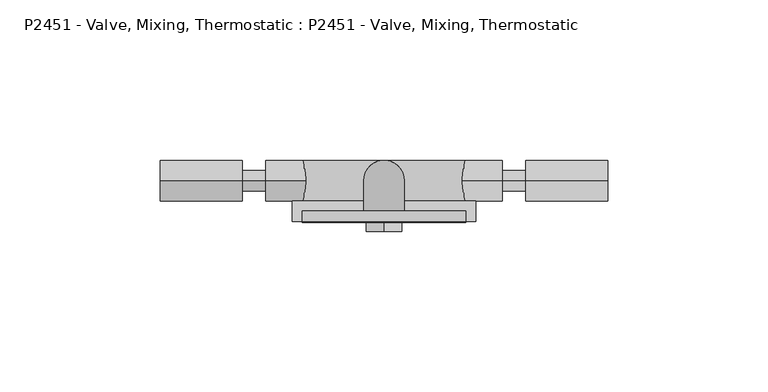
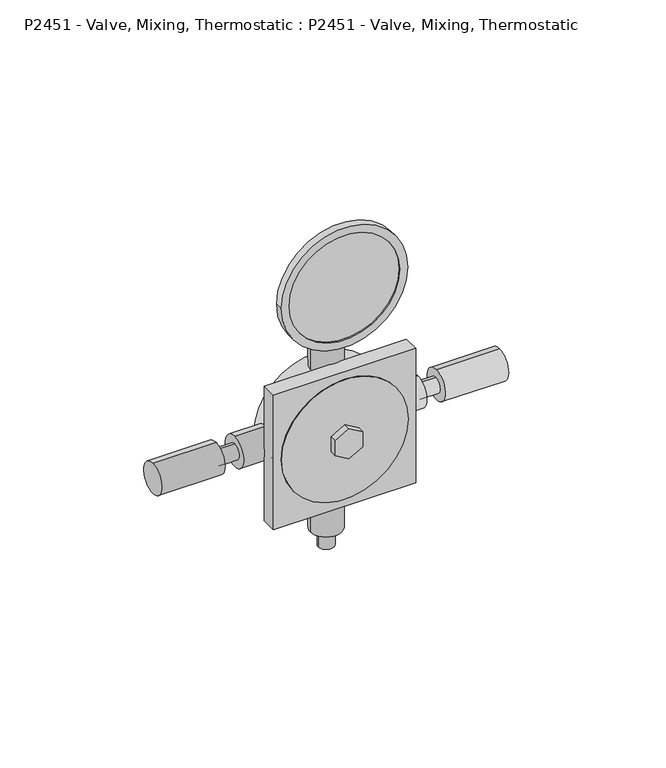
"""IFC4 building model written with IfcOpenShell, lengths in millimetres: proxy geometry, P2451 - Valve, Mixing, Thermostatic : P2451 - Valve, Mixing, Thermostatic."""

from ifc_helpers import new_model, si_unit, point, frame, frame_2d, origin, origin_with_axes, place, context, project, spatial, polyline, circle_curve, ellipse_curve, trimmed, segment, composite_curve, outline, extrude, source, transform, mapped, element, save
from ifc_brep_helpers import plane_surface, cylinder_surface, revolved_surface, advanced_brep


def p2451_valve_mixing_thermostatic_p2451_valve_mixing_67b43995(model_context):
    return source(origin(), model_context, "Body", "SolidModel", [
        advanced_brep(
        [(-25.4, -19.05, 116.6617353), (25.4, -19.05, 116.6617353), (22.225, -19.05, 116.6617353), (-22.225, -19.05, 116.6617353), (-25.4, -15.875, 116.6617353), (25.4, -15.875, 116.6617353), (-22.225, -18.4365805, 116.6617353), (22.225, -18.4365805, 116.6617353)],
        [
            (0, 1, circle_curve(frame((0.0, -19.05, 116.6617353), z_axis=(0.0, -1.0, 0.0), x_axis=(1.0, 0.0, 0.0)), 25.4)),
            (1, 0, circle_curve(frame((0.0, -19.05, 116.6617353), z_axis=(0.0, -1.0, 0.0), x_axis=(1.0, 0.0, 0.0)), 25.4)),
            (2, 3, circle_curve(frame((0.0, -19.05, 116.6617353), z_axis=(0.0, 1.0, 0.0), x_axis=(1.0, 0.0, 0.0)), 22.225)),
            (3, 2, circle_curve(frame((0.0, -19.05, 116.6617353), z_axis=(0.0, 1.0, 0.0), x_axis=(1.0, 0.0, 0.0)), 22.225)),
            (4, 5, circle_curve(frame((0.0, -15.875, 116.6617353), z_axis=(0.0, 1.0, 0.0), x_axis=(1.0, 0.0, 0.0)), 25.4)),
            (5, 4, circle_curve(frame((0.0, -15.875, 116.6617353), z_axis=(0.0, 1.0, 0.0), x_axis=(1.0, 0.0, 0.0)), 25.4)),
            (0, 4),
            (5, 1),
            (6, 7, circle_curve(frame((0.0, -18.4365805, 116.6617353), z_axis=(0.0, -1.0, 0.0), x_axis=(1.0, 0.0, 0.0)), 22.225)),
            (7, 6, circle_curve(frame((0.0, -18.4365805, 116.6617353), z_axis=(0.0, -1.0, 0.0), x_axis=(1.0, 0.0, 0.0)), 22.225)),
            (6, 3),
            (2, 7),
        ],
        [
            plane_surface(frame((25.4, -19.05, 116.6617353), z_axis=(0.0, -1.0, 0.0), x_axis=(0.0, 0.0, 1.0))),
            plane_surface(frame((25.4, -15.875, 116.6617353), z_axis=(0.0, 1.0, 0.0), x_axis=(0.0, 0.0, -1.0))),
            cylinder_surface(frame((0.0, -15.875, 116.6617353), z_axis=(0.0, -1.0, 0.0), x_axis=(1.0, 0.0, 0.0)), 25.4),
            plane_surface(frame((22.225, -18.4365805, 116.6617353), z_axis=(0.0, -1.0, 0.0), x_axis=(0.0, 0.0, -1.0))),
            revolved_surface(polyline([(22.225, -19.05, 116.6617353), (22.225, -18.4365805, 116.6617353)]), (0.0, -18.4365805, 116.6617353), (0.0, -1.0, 0.0)),
        ],
        [
            (0, [[1, 2], [3, 4]]),
            (1, [[5, 6]]),
            (2, [[-1, 7, -6, 8]]),
            (2, [[-2, -8, -5, -7]]),
            (3, [[9, 10]]),
            (4, [[-9, 11, -3, 12]]),
            (4, [[-10, -12, -4, -11]]),
        ],
    ),
        extrude(outline(composite_curve([segment(trimmed(circle_curve(frame_2d((52.3679853, 0.0)), 25.4), [point((52.3679853, -25.4))], [point((52.3679853, 25.4))], False, "CARTESIAN"), True, "CONTINUOUS"), segment(trimmed(circle_curve(frame_2d((52.3679853, 0.0)), 25.4), [point((52.3679853, 25.4))], [point((52.3679853, -25.4))], False, "CARTESIAN"), True, "CONTINUOUS")], self_intersect=False), holes=[polyline([(55.5429853, -5.4992613), (58.7179853, 0.0), (55.5429853, 5.4992613), (49.1929853, 5.4992613), (46.0179853, 0.0), (49.1929853, -5.4992613), (55.5429853, -5.4992613)])]), frame((0.0, -19.3538069, 0.0), z_axis=(0.0, 1.0, 0.0), x_axis=(0.0, 0.0, 1.0)), (0.0, 0.0, 1.0), 0.3038069),
        extrude(outline(composite_curve([segment(trimmed(circle_curve(frame_2d((-6.35, 52.3679853)), 6.35), [point((-6.35, 46.0179853))], [point((-6.35, 58.7179853))], False, "CARTESIAN"), True, "CONTINUOUS"), segment(trimmed(circle_curve(frame_2d((-6.35, 52.3679853)), 6.35), [point((-6.35, 58.7179853))], [point((-6.35, 46.0179853))], False, "CARTESIAN"), True, "CONTINUOUS")], self_intersect=False)), frame((-69.6424307, 0.0, 0.0), z_axis=(1.0, 0.0, 0.0), x_axis=(0.0, 1.0, 0.0)), (0.0, 0.0, 1.0), 25.4),
        extrude(outline(composite_curve([segment(trimmed(circle_curve(frame_2d((-6.35, 52.3679853)), 3.175), [point((-6.35, 49.1929853))], [point((-6.35, 55.5429853))], False, "CARTESIAN"), True, "CONTINUOUS"), segment(trimmed(circle_curve(frame_2d((-6.35, 52.3679853)), 3.175), [point((-6.35, 55.5429853))], [point((-6.35, 49.1929853))], False, "CARTESIAN"), True, "CONTINUOUS")], self_intersect=False)), frame((-44.2424307, 0.0, 0.0), z_axis=(1.0, 0.0, 0.0), x_axis=(0.0, 1.0, 0.0)), (0.0, 0.0, 1.0), 7.4334859),
        extrude(outline(composite_curve([segment(trimmed(circle_curve(frame_2d((-6.35, 52.3679853)), 6.35), [point((-6.35, 46.0179853))], [point((-6.35, 58.7179853))], False, "CARTESIAN"), True, "CONTINUOUS"), segment(trimmed(circle_curve(frame_2d((-6.35, 52.3679853)), 6.35), [point((-6.35, 58.7179853))], [point((-6.35, 46.0179853))], False, "CARTESIAN"), True, "CONTINUOUS")], self_intersect=False)), frame((-36.8089448, 0.0, 0.0), z_axis=(1.0, 0.0, 0.0), x_axis=(0.0, 1.0, 0.0)), (0.0, 0.0, 1.0), 12.7),
        extrude(outline(composite_curve([segment(trimmed(circle_curve(frame_2d((-6.35, 52.3679853)), 6.35), [point((-6.35, 46.0179853))], [point((-6.35, 58.7179853))], False, "CARTESIAN"), True, "CONTINUOUS"), segment(trimmed(circle_curve(frame_2d((-6.35, 52.3679853)), 6.35), [point((-6.35, 58.7179853))], [point((-6.35, 46.0179853))], False, "CARTESIAN"), True, "CONTINUOUS")], self_intersect=False)), frame((44.2424307, 0.0, 0.0), z_axis=(1.0, 0.0, 0.0), x_axis=(0.0, 1.0, 0.0)), (0.0, 0.0, 1.0), 25.4),
        extrude(outline(composite_curve([segment(trimmed(circle_curve(frame_2d((-6.35, 52.3679853)), 3.175), [point((-6.35, 49.1929853))], [point((-6.35, 55.5429853))], False, "CARTESIAN"), True, "CONTINUOUS"), segment(trimmed(circle_curve(frame_2d((-6.35, 52.3679853)), 3.175), [point((-6.35, 55.5429853))], [point((-6.35, 49.1929853))], False, "CARTESIAN"), True, "CONTINUOUS")], self_intersect=False)), frame((36.8089448, 0.0, 0.0), z_axis=(1.0, 0.0, 0.0), x_axis=(0.0, 1.0, 0.0)), (0.0, 0.0, 1.0), 7.4334859),
        extrude(outline(composite_curve([segment(trimmed(circle_curve(frame_2d((0.0, -6.35)), 3.175), [point((-3.175, -6.35))], [point((3.175, -6.35))], False, "CARTESIAN"), True, "CONTINUOUS"), segment(trimmed(circle_curve(frame_2d((0.0, -6.35)), 3.175), [point((3.175, -6.35))], [point((-3.175, -6.35))], False, "CARTESIAN"), True, "CONTINUOUS")], self_intersect=False)), origin_with_axes(), (0.0, 0.0, 1.0), 7.4334859),
        advanced_brep(
        [(-6.35, -6.35, 103.9617353), (6.35, -6.35, 103.9617353), (-6.35, -6.35, 116.6617353), (6.35, -6.35, 116.6617353), (-6.35, -15.875, 116.6617353), (6.35, -15.875, 116.6617353)],
        [
            (0, 1, circle_curve(frame((0.0, -6.35, 103.9617353), z_axis=(0.0, 0.0, -1.0), x_axis=(-1.0, 0.0, 0.0)), 6.35)),
            (1, 0, circle_curve(frame((0.0, -6.35, 103.9617353), z_axis=(0.0, 0.0, -1.0), x_axis=(-1.0, 0.0, 0.0)), 6.35)),
            (0, 2),
            (2, 3, ellipse_curve(frame((0.0, -6.35, 116.6617353), z_axis=(0.0, 0.7071067811865646, -0.7071067811865305), x_axis=(0.0, -0.7071067811865304, -0.7071067811865646)), 8.9802561, 6.35)),
            (3, 1),
            (3, 2, ellipse_curve(frame((0.0, -6.35, 116.6617353), z_axis=(0.0, 0.7071067811865646, -0.7071067811865305), x_axis=(0.0, -0.7071067811865304, -0.7071067811865646)), 8.9802561, 6.35)),
            (4, 5, circle_curve(frame((0.0, -15.875, 116.6617353), z_axis=(0.0, -1.0, 0.0), x_axis=(-1.0, 0.0, 0.0)), 6.35)),
            (5, 4, circle_curve(frame((0.0, -15.875, 116.6617353), z_axis=(0.0, -1.0, 0.0), x_axis=(-1.0, 0.0, 0.0)), 6.35)),
            (2, 4),
            (5, 3),
        ],
        [
            plane_surface(frame((0.0, -6.35, 103.9617353), z_axis=(0.0, 0.0, -1.0), x_axis=(1.0, 0.0, 0.0))),
            cylinder_surface(frame((0.0, -6.35, 103.9617353), z_axis=(0.0, 0.0, -1.0), x_axis=(-1.0, 0.0, 0.0)), 6.35),
            plane_surface(frame((0.0, -15.875, 116.6617353), z_axis=(0.0, -1.0, 0.0), x_axis=(1.0, 0.0, 0.0))),
            cylinder_surface(frame((0.0, -6.35, 116.6617353), z_axis=(0.0, 1.0, 0.0), x_axis=(-1.0, 0.0, 0.0)), 6.35),
        ],
        [
            (0, [[1, 2]]),
            (1, [[-1, 3, 4, 5]]),
            (1, [[-2, -5, 6, -3]]),
            (2, [[7, 8]]),
            (3, [[-4, 9, -8, 10]]),
            (3, [[-6, -10, -7, -9]]),
        ],
    ),
        extrude(outline(composite_curve([segment(trimmed(circle_curve(frame_2d((0.0, -6.35)), 6.35), [point((6.35, -6.35))], [point((-6.35, -6.35))], False, "CARTESIAN"), True, "CONTINUOUS"), segment(trimmed(circle_curve(frame_2d((0.0, -6.35)), 6.35), [point((-6.35, -6.35))], [point((6.35, -6.35))], False, "CARTESIAN"), True, "CONTINUOUS")], self_intersect=False)), frame((0.0, 0.0, 7.4334859), z_axis=(0.0, 0.0, 1.0), x_axis=(1.0, 0.0, 0.0)), (0.0, 0.0, 1.0), 20.3410552),
        extrude(outline(composite_curve([segment(trimmed(circle_curve(frame_2d((0.0, -6.35)), 6.35), [point((6.35, -6.35))], [point((-6.35, -6.35))], False, "CARTESIAN"), True, "CONTINUOUS"), segment(trimmed(circle_curve(frame_2d((0.0, -6.35)), 6.35), [point((-6.35, -6.35))], [point((6.35, -6.35))], False, "CARTESIAN"), True, "CONTINUOUS")], self_intersect=False)), frame((0.0, 0.0, 76.4769302), z_axis=(0.0, 0.0, 1.0), x_axis=(1.0, 0.0, 0.0)), (0.0, 0.0, 1.0), 27.4848052),
        extrude(outline(composite_curve([segment(trimmed(circle_curve(frame_2d((-6.35, 52.3679853)), 6.35), [point((-6.35, 46.0179853))], [point((-6.35, 58.7179853))], False, "CARTESIAN"), True, "CONTINUOUS"), segment(trimmed(circle_curve(frame_2d((-6.35, 52.3679853)), 6.35), [point((-6.35, 58.7179853))], [point((-6.35, 46.0179853))], False, "CARTESIAN"), True, "CONTINUOUS")], self_intersect=False)), frame((24.1089448, 0.0, 0.0), z_axis=(1.0, 0.0, 0.0), x_axis=(0.0, 1.0, 0.0)), (0.0, 0.0, 1.0), 12.7),
        extrude(outline(polyline([(55.5429853, -5.4992613), (49.1929853, -5.4992613), (46.0179853, 0.0), (49.1929853, 5.4992613), (55.5429853, 5.4992613), (58.7179853, 0.0), (55.5429853, -5.4992613)])), frame((0.0, -22.225, 0.0), z_axis=(0.0, 1.0, 0.0), x_axis=(0.0, 0.0, 1.0)), (0.0, 0.0, 1.0), 3.175),
        extrude(outline(polyline([(28.575, -19.05), (-28.575, -19.05), (-28.575, -12.7), (28.575, -12.7), (28.575, -19.05)])), frame((0.0, 0.0, 23.7929853), z_axis=(0.0, 0.0, 1.0), x_axis=(1.0, 0.0, 0.0)), (0.0, 0.0, 1.0), 57.15),
        extrude(outline(composite_curve([segment(trimmed(circle_curve(frame_2d((52.3679853, 0.0)), 25.4), [point((52.3679853, -25.4))], [point((52.3679853, 25.4))], False, "CARTESIAN"), True, "CONTINUOUS"), segment(trimmed(circle_curve(frame_2d((52.3679853, 0.0)), 25.4), [point((52.3679853, 25.4))], [point((52.3679853, -25.4))], False, "CARTESIAN"), True, "CONTINUOUS")], self_intersect=False)), frame((0.0, -12.7, 0.0), z_axis=(0.0, 1.0, 0.0), x_axis=(0.0, 0.0, 1.0)), (0.0, 0.0, 1.0), 12.7),
    ])


if __name__ == "__main__":
    model = new_model("IFC4")
    model_context = context("Model", 3, world=origin())
    ifc_project = project(units=[si_unit("LENGTHUNIT", "METRE", prefix="MILLI")], contexts=[model_context])
    site = spatial("IfcSite", under=ifc_project)
    building = spatial("IfcBuilding", under=site)
    placement = place(None, origin())
    p2451_valve_mixing_thermostatic_p2451_valve_mixing_shape = p2451_valve_mixing_thermostatic_p2451_valve_mixing_67b43995(model_context)
    element("IfcBuildingElementProxy", 1, Name="P2451 - Valve, Mixing, Thermostatic : P2451 - Valve, Mixing, Thermostatic", ObjectType="P2451 - Valve, Mixing, Thermostatic : P2451 - Valve, Mixing, Thermostatic", at=placement, inside=building, context=model_context, shape_type="MappedRepresentation", body=[
        mapped(p2451_valve_mixing_thermostatic_p2451_valve_mixing_shape, transform((0.0, 0.0, 0.0), x_axis=(1.0, 0.0, 0.0), y_axis=(0.0, 1.0, 0.0), z_axis=(0.0, 0.0, 1.0))),
    ])
    save(model, "model.ifc")
